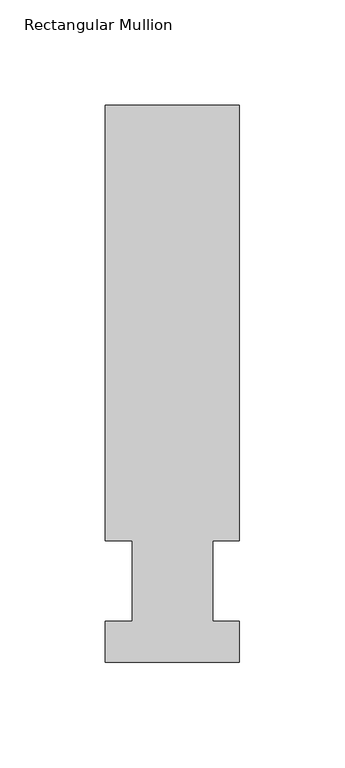
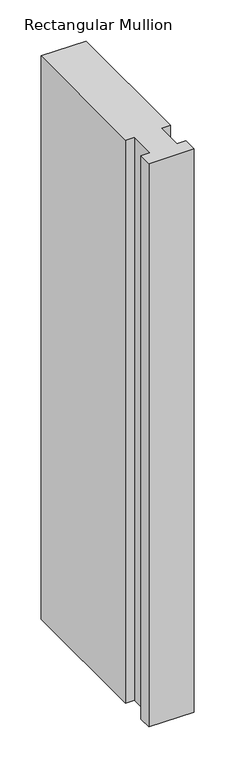
"""IFC4 building model written with IfcOpenShell, lengths in millimetres: member geometry, Rectangular Mullion."""

from ifc_helpers import new_model, si_unit, frame, origin, place, context, project, spatial, polyline, outline, extrude, source, transform, mapped, element, save


def rectangular_mullion_c0b7f1da(model_context):
    return source(origin(), model_context, "Body", "SweptSolid", [
        extrude(outline(polyline([(-31.75, 264.0210938), (31.75, 264.0210938), (31.75, 57.6460937), (19.05, 57.6460937), (19.05, 19.5460938), (31.75, 19.5460938), (31.75, 0.0134938), (-31.75, 0.0134938), (-31.75, 19.5460938), (-19.05, 19.5460938), (-19.05, 57.6460937), (-31.75, 57.6460937), (-31.75, 264.0210938)])), frame((0.0, 0.0, -838.2), z_axis=(0.0, 0.0, 1.0), x_axis=(1.0, 0.0, 0.0)), (0.0, 0.0, 1.0), 838.2),
    ])


if __name__ == "__main__":
    model = new_model("IFC4")
    model_context = context("Model", 3, world=origin())
    ifc_project = project(units=[si_unit("LENGTHUNIT", "METRE", prefix="MILLI")], contexts=[model_context])
    site = spatial("IfcSite", under=ifc_project)
    building = spatial("IfcBuilding", under=site)
    placement = place(None, origin())
    rectangular_mullion_shape = rectangular_mullion_c0b7f1da(model_context)
    element("IfcMember", 1, ObjectType="Rectangular Mullion", at=placement, inside=building, context=model_context, shape_type="MappedRepresentation", body=[
        mapped(rectangular_mullion_shape, transform((0.0, 0.0, 0.0), x_axis=(1.0, 0.0, 0.0), y_axis=(0.0, 1.0, 0.0), z_axis=(0.0, 0.0, 1.0))),
    ])
    save(model, "model.ifc")
